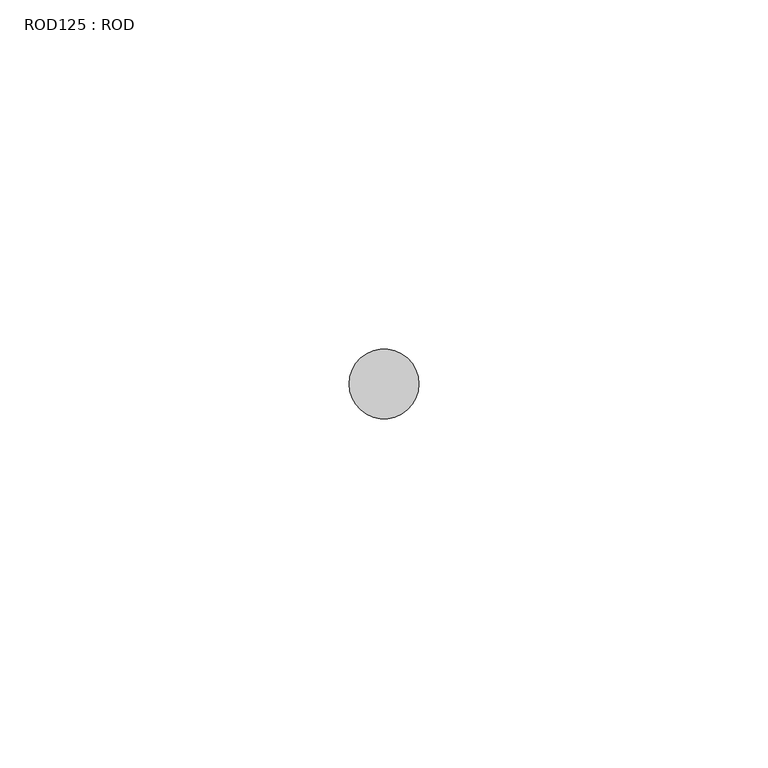
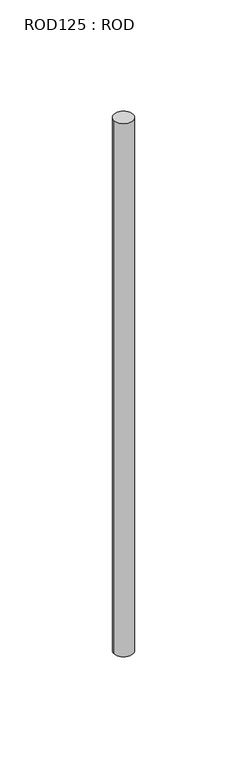
"""IFC4 building model written with IfcOpenShell, lengths in millimetres: proxy geometry, ROD125 : ROD."""

from ifc_helpers import new_model, si_unit, point, frame, frame_2d, origin, place, context, project, spatial, circle_curve, trimmed, segment, composite_curve, outline, extrude, source, transform, mapped, element, save


def rod125_rod_6068d9e3(model_context):
    return source(origin(), model_context, "Body", "SweptSolid", [
        extrude(outline(composite_curve([segment(trimmed(circle_curve(frame_2d((11652.7784384, -12414.6300853)), 5.0), [point((11647.7784384, -12414.6300853))], [point((11657.7784384, -12414.6300853))], False, "CARTESIAN"), True, "CONTINUOUS"), segment(trimmed(circle_curve(frame_2d((11652.7784384, -12414.6300853)), 5.0), [point((11657.7784384, -12414.6300853))], [point((11647.7784384, -12414.6300853))], False, "CARTESIAN"), True, "CONTINUOUS")], self_intersect=False)), frame((0.0, 0.0, -208.6608845), z_axis=(0.0, 0.0, 1.0), x_axis=(1.0, 0.0, 0.0)), (0.0, 0.0, 1.0), 298.9028972),
    ])


if __name__ == "__main__":
    model = new_model("IFC4")
    model_context = context("Model", 3, world=origin())
    ifc_project = project(units=[si_unit("LENGTHUNIT", "METRE", prefix="MILLI")], contexts=[model_context])
    site = spatial("IfcSite", under=ifc_project)
    building = spatial("IfcBuilding", under=site)
    placement = place(None, origin())
    rod125_rod_shape = rod125_rod_6068d9e3(model_context)
    element("IfcBuildingElementProxy", 1, Name="ROD125 : ROD", ObjectType="ROD125 : ROD", at=placement, inside=building, context=model_context, shape_type="MappedRepresentation", body=[
        mapped(rod125_rod_shape, transform((0.0, 0.0, 0.0), x_axis=(1.0, 0.0, 0.0), y_axis=(0.0, 1.0, 0.0), z_axis=(0.0, 0.0, 1.0))),
    ])
    save(model, "model.ifc")
